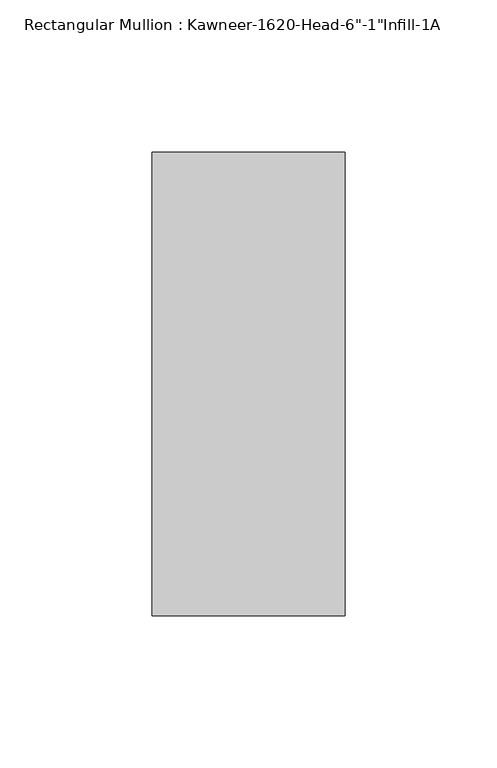
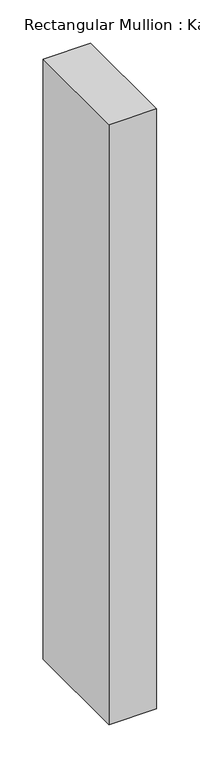
"""IFC4 building model written with IfcOpenShell, lengths in millimetres: member geometry."""

from ifc_helpers import new_model, si_unit, frame, origin, place, context, project, spatial, polyline, outline, extrude, source, transform, mapped, element, save


def member_57c794fe(model_context):
    return source(origin(), model_context, "Body", "SweptSolid", [
        extrude(outline(polyline([(-22.225, 38.1), (41.275, 38.1), (41.275, -114.3), (-22.225, -114.3), (-22.225, 38.1)])), frame((0.0, 0.0, -845.4182369), z_axis=(0.0, 0.0, 1.0), x_axis=(1.0, 0.0, 0.0)), (0.0, 0.0, 1.0), 845.4182369),
    ])


if __name__ == "__main__":
    model = new_model("IFC4")
    model_context = context("Model", 3, world=origin())
    ifc_project = project(units=[si_unit("LENGTHUNIT", "METRE", prefix="MILLI")], contexts=[model_context])
    site = spatial("IfcSite", under=ifc_project)
    building = spatial("IfcBuilding", under=site)
    placement = place(None, origin())
    member_shape = member_57c794fe(model_context)
    element("IfcMember", 1, ObjectType="Rectangular Mullion : Kawneer-1620-Head-6\"-1\"Infill-1A", at=placement, inside=building, context=model_context, shape_type="MappedRepresentation", body=[
        mapped(member_shape, transform((0.0, 0.0, 0.0), x_axis=(1.0, 0.0, 0.0), y_axis=(0.0, 1.0, 0.0), z_axis=(0.0, 0.0, 1.0))),
    ])
    save(model, "model.ifc")
